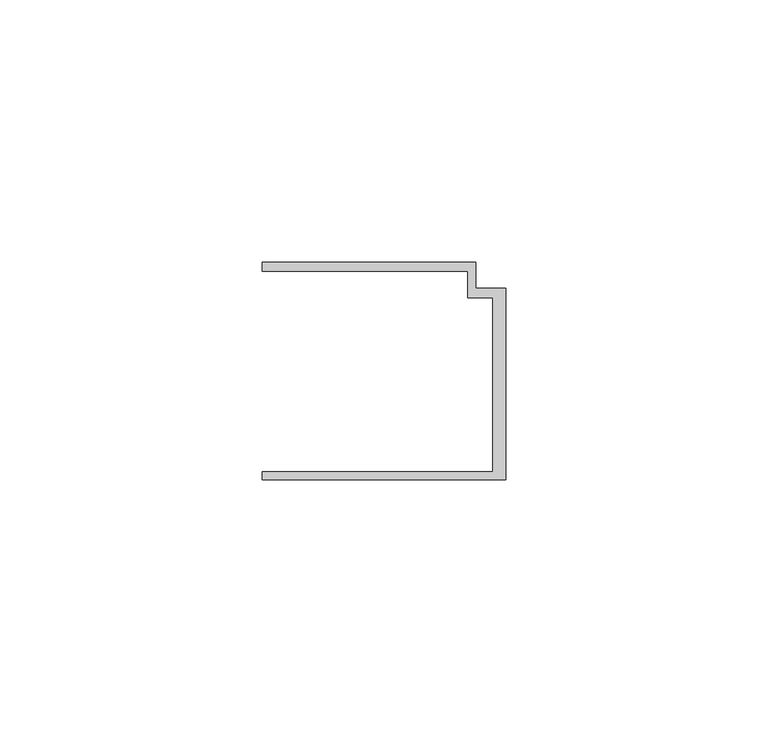
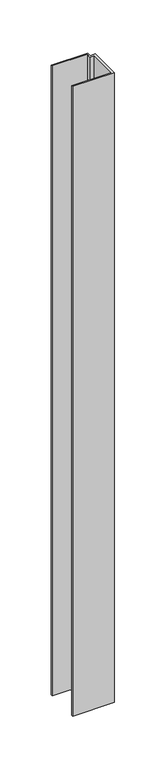
"""IFC4 building model written with IfcOpenShell, lengths in millimetres: member geometry."""

from ifc_helpers import new_model, si_unit, frame, origin, place, context, project, spatial, polyline, outline, extrude, source, transform, mapped, element, save


def member_cc5a55f1(model_context):
    return source(origin(), model_context, "Body", "SweptSolid", [
        extrude(outline(polyline([(-46.3, -19.2), (-2.4, -19.2), (-2.4, 14.0), (-7.2, 14.0), (-7.2, 19.0), (-46.3, 19.0), (-46.3, 20.7), (-5.6999992, 20.7), (-5.6999992, 15.8), (0.0, 15.8), (0.0, -20.7), (-46.3, -20.7), (-46.3, -19.2)])), frame((0.0, 0.0, -747.5), z_axis=(0.0, 0.0, 1.0), x_axis=(1.0, 0.0, 0.0)), (0.0, 0.0, 1.0), 747.5),
    ])


if __name__ == "__main__":
    model = new_model("IFC4")
    model_context = context("Model", 3, world=origin())
    ifc_project = project(units=[si_unit("LENGTHUNIT", "METRE", prefix="MILLI")], contexts=[model_context])
    site = spatial("IfcSite", under=ifc_project)
    building = spatial("IfcBuilding", under=site)
    placement = place(None, origin())
    member_shape = member_cc5a55f1(model_context)
    element("IfcMember", 1, at=placement, inside=building, context=model_context, shape_type="MappedRepresentation", body=[
        mapped(member_shape, transform((0.0, 0.0, 0.0), x_axis=(1.0, 0.0, 0.0), y_axis=(0.0, 1.0, 0.0), z_axis=(0.0, 0.0, 1.0))),
    ])
    save(model, "model.ifc")
